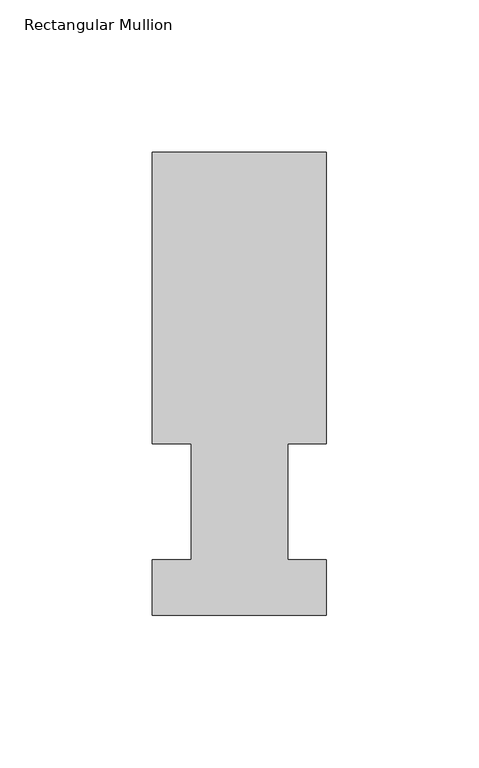
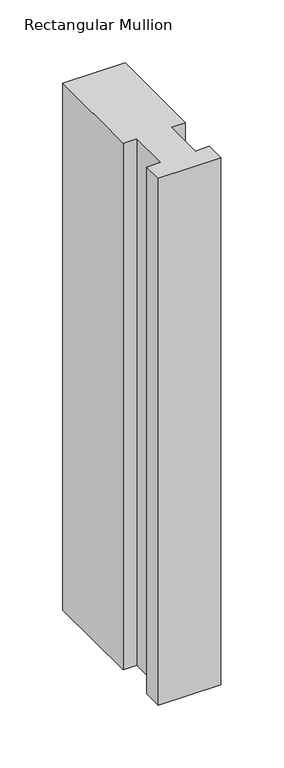
"""IFC4 building model written with IfcOpenShell, lengths in millimetres: member geometry, Rectangular Mullion."""

from ifc_helpers import new_model, si_unit, frame, origin, place, context, project, spatial, polyline, outline, extrude, source, transform, mapped, element, save


def rectangular_mullion_e7d250d3(model_context):
    return source(origin(), model_context, "Body", "SweptSolid", [
        extrude(outline(polyline([(-57.15, 151.98725), (0.0, 151.98725), (0.0, 56.35625), (-12.7, 56.35625), (-12.7, 18.25625), (0.0, 18.25625), (0.0, -0.03175), (-57.15, -0.03175), (-57.15, 18.25625), (-44.45, 18.25625), (-44.45, 56.35625), (-57.15, 56.35625), (-57.15, 151.98725)])), frame((0.0, 0.0, -511.175), z_axis=(0.0, 0.0, 1.0), x_axis=(1.0, 0.0, 0.0)), (0.0, 0.0, 1.0), 511.175),
    ])


if __name__ == "__main__":
    model = new_model("IFC4")
    model_context = context("Model", 3, world=origin())
    ifc_project = project(units=[si_unit("LENGTHUNIT", "METRE", prefix="MILLI")], contexts=[model_context])
    site = spatial("IfcSite", under=ifc_project)
    building = spatial("IfcBuilding", under=site)
    placement = place(None, origin())
    rectangular_mullion_shape = rectangular_mullion_e7d250d3(model_context)
    element("IfcMember", 1, ObjectType="Rectangular Mullion", at=placement, inside=building, context=model_context, shape_type="MappedRepresentation", body=[
        mapped(rectangular_mullion_shape, transform((0.0, 0.0, 0.0), x_axis=(1.0, 0.0, 0.0), y_axis=(0.0, 1.0, 0.0), z_axis=(0.0, 0.0, 1.0))),
    ])
    save(model, "model.ifc")
